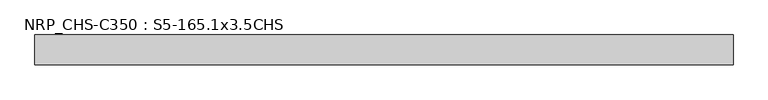
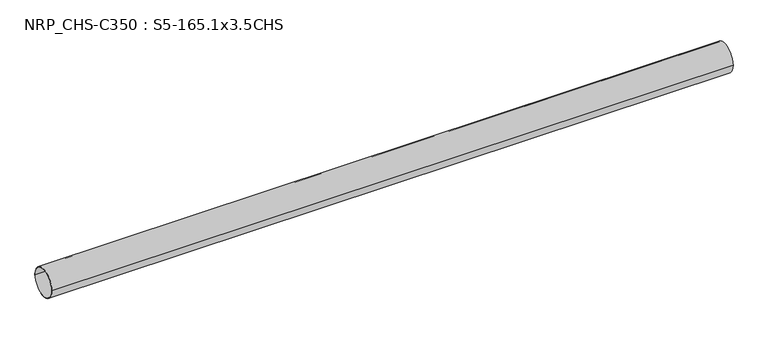
"""IFC4 building model written with IfcOpenShell, lengths in millimetres: beam geometry, NRP_CHS-C350 : S5-165.1x3.5CHS."""

from ifc_helpers import new_model, si_unit, point, frame, origin, origin_2d, place, context, project, spatial, circle_curve, trimmed, segment, composite_curve, outline, extrude, source, transform, mapped, element, save


def nrp_chs_c350_s5_165_1x3_5chs_8524d8c4(model_context):
    return source(origin(), model_context, "Body", "SweptSolid", [
        extrude(outline(composite_curve([segment(trimmed(circle_curve(origin_2d(), 82.55), [point((-82.55, 0.0))], [point((82.55, 0.0))], False, "CARTESIAN"), True, "CONTINUOUS"), segment(trimmed(circle_curve(origin_2d(), 82.55), [point((82.55, 0.0))], [point((-82.55, 0.0))], False, "CARTESIAN"), True, "CONTINUOUS")], self_intersect=False), holes=[composite_curve([segment(trimmed(circle_curve(origin_2d(), 79.05), [point((79.05, 0.0))], [point((-79.05, 0.0))], True, "CARTESIAN"), True, "CONTINUOUS"), segment(trimmed(circle_curve(origin_2d(), 79.05), [point((-79.05, 0.0))], [point((79.05, 0.0))], True, "CARTESIAN"), True, "CONTINUOUS")], self_intersect=False)]), frame((-1760.0, 0.0, 0.0), z_axis=(1.0, 0.0, 0.0), x_axis=(0.0, 1.0, 0.0)), (0.0, 0.0, 1.0), 3863.9),
    ])


if __name__ == "__main__":
    model = new_model("IFC4")
    model_context = context("Model", 3, world=origin())
    ifc_project = project(units=[si_unit("LENGTHUNIT", "METRE", prefix="MILLI")], contexts=[model_context])
    site = spatial("IfcSite", under=ifc_project)
    building = spatial("IfcBuilding", under=site)
    placement = place(None, origin())
    nrp_chs_c350_s5_165_1x3_5chs_shape = nrp_chs_c350_s5_165_1x3_5chs_8524d8c4(model_context)
    element("IfcBeam", 1, ObjectType="NRP_CHS-C350 : S5-165.1x3.5CHS", at=placement, inside=building, context=model_context, shape_type="MappedRepresentation", body=[
        mapped(nrp_chs_c350_s5_165_1x3_5chs_shape, transform((0.0, 0.0, 0.0), x_axis=(1.0, 0.0, 0.0), y_axis=(0.0, 1.0, 0.0), z_axis=(0.0, 0.0, 1.0))),
    ])
    save(model, "model.ifc")
